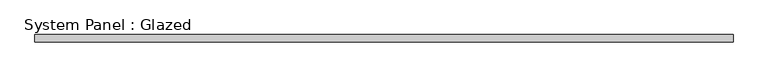
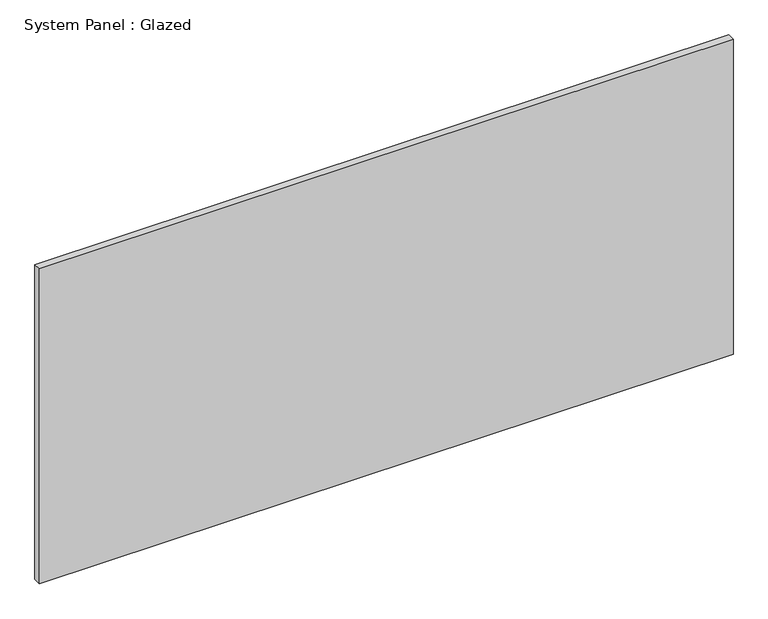
"""IFC4 building model written with IfcOpenShell, lengths in millimetres: plate geometry, System Panel : Glazed."""

from ifc_helpers import new_model, si_unit, origin, origin_with_axes, place, context, project, spatial, polyline, outline, extrude, source, transform, mapped, element, save


def system_panel_glazed_256babc0(model_context):
    return source(origin(), model_context, "Body", "SweptSolid", [
        extrude(outline(polyline([(1171.575, -44.45), (-1171.575, -44.45), (-1171.575, -19.05), (1171.575, -19.05), (1171.575, -44.45)])), origin_with_axes(), (0.0, 0.0, 1.0), 1123.95),
    ])


if __name__ == "__main__":
    model = new_model("IFC4")
    model_context = context("Model", 3, world=origin())
    ifc_project = project(units=[si_unit("LENGTHUNIT", "METRE", prefix="MILLI")], contexts=[model_context])
    site = spatial("IfcSite", under=ifc_project)
    building = spatial("IfcBuilding", under=site)
    placement = place(None, origin())
    system_panel_glazed_shape = system_panel_glazed_256babc0(model_context)
    element("IfcPlate", 1, ObjectType="System Panel : Glazed", at=placement, inside=building, context=model_context, shape_type="MappedRepresentation", body=[
        mapped(system_panel_glazed_shape, transform((0.0, 0.0, 0.0), x_axis=(1.0, 0.0, 0.0), y_axis=(0.0, 1.0, 0.0), z_axis=(0.0, 0.0, 1.0))),
    ])
    save(model, "model.ifc")
